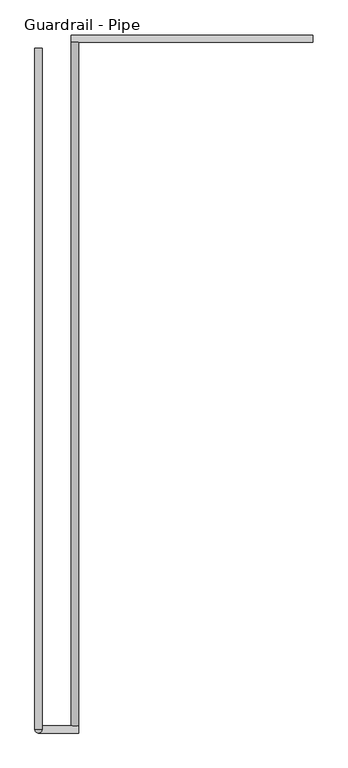
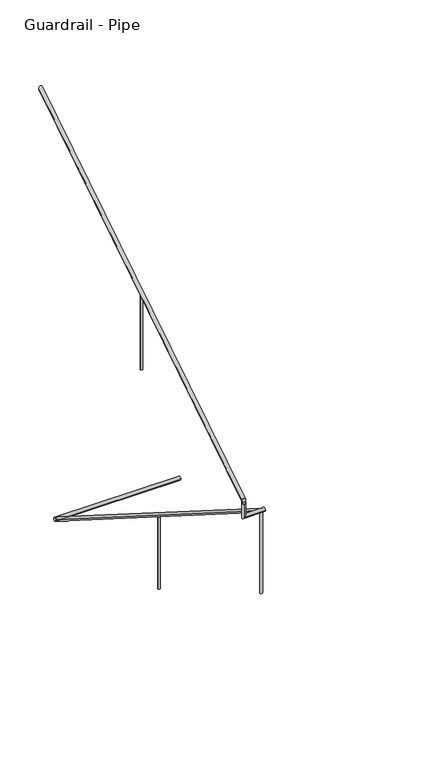
"""IFC4 building model written with IfcOpenShell, lengths in millimetres: railing geometry, Guardrail - Pipe."""

from ifc_helpers import new_model, si_unit, frame, origin, place, context, project, spatial, circle_curve, ellipse_curve, source, transform, mapped, element, save
from ifc_brep_helpers import plane_surface, cylinder_surface, advanced_brep


def guardrail_pipe_5c4d2d1f(model_context):
    return source(origin(), model_context, "Body", "AdvancedBrep", [
        advanced_brep(
        [(583045.6754676, -251251.2580223, 896.2158407), (583007.5754676, -251251.2580223, 896.2158407), (583045.6754676, -254896.1580223, 3203.4252683), (583007.5754676, -254896.1580223, 3203.4252683)],
        [
            (0, 1, ellipse_curve(frame((583026.6254676, -251251.2580223, 896.2158407), z_axis=(0.0, 1.0, 0.0), x_axis=(0.0, 0.0, -1.0)), 22.5457755, 19.05)),
            (1, 0, ellipse_curve(frame((583026.6254676, -251251.2580223, 896.2158407), z_axis=(0.0, 1.0, 0.0), x_axis=(0.0, 0.0, -1.0)), 22.5457755, 19.05)),
            (2, 3, ellipse_curve(frame((583026.6254676, -254896.1580223, 3203.4252683), z_axis=(0.0, -1.0, 0.0), x_axis=(0.0, 0.0, -1.0)), 22.5457755, 19.05)),
            (3, 2, ellipse_curve(frame((583026.6254676, -254896.1580223, 3203.4252683), z_axis=(0.0, -1.0, 0.0), x_axis=(0.0, 0.0, -1.0)), 22.5457755, 19.05)),
            (1, 3),
            (2, 0),
        ],
        [
            plane_surface(frame((583026.6254676, -251251.2580223, 918.7616162), z_axis=(0.0, 1.0, 0.0), x_axis=(0.0, 0.0, -1.0))),
            plane_surface(frame((583026.6254676, -254896.1580223, 3225.9710438), z_axis=(0.0, -1.0, 0.0), x_axis=(0.0, 0.0, -1.0))),
            cylinder_surface(frame((583026.6254676, -251261.4468961, 902.6653635), z_axis=(0.0, 0.8449476488296452, -0.5348490167675869), x_axis=(-1.0, 0.0, 0.0)), 19.05),
        ],
        [
            (0, [[1, 2]]),
            (1, [[3, 4]]),
            (2, [[-2, 5, -3, 6]]),
            (2, [[-1, -6, -4, -5]]),
        ],
    ),
        advanced_brep(
        [(583045.6754676, -254934.2580223, 3218.9796296), (583045.6754676, -254896.1580223, 3218.9796296), (582832.105137, -254896.1580223, 3218.9796296), (582832.105137, -254934.2580223, 3218.9796296), (582832.105137, -254934.2580223, 3357.738752), (582832.105137, -254896.1580223, 3381.8559237)],
        [
            (0, 1, circle_curve(frame((583045.6754676, -254915.2080223, 3218.9796296), z_axis=(1.0, 0.0, 0.0), x_axis=(0.0, 1.0, 0.0)), 19.05)),
            (1, 0, circle_curve(frame((583045.6754676, -254915.2080223, 3218.9796296), z_axis=(1.0, 0.0, 0.0), x_axis=(0.0, 1.0, 0.0)), 19.05)),
            (1, 2),
            (2, 3, ellipse_curve(frame((582832.105137, -254915.2080223, 3218.9796296), z_axis=(0.7071067811865475, 0.0, -0.7071067811865475), x_axis=(0.7071067811865476, 0.0, 0.7071067811865474)), 26.9407684, 19.05)),
            (3, 0),
            (3, 2, ellipse_curve(frame((582832.105137, -254915.2080223, 3218.9796296), z_axis=(0.7071067811865475, 0.0, -0.7071067811865475), x_axis=(0.7071067811865476, 0.0, 0.7071067811865474)), 26.9407684, 19.05)),
            (4, 5, ellipse_curve(frame((582832.105137, -254915.2080223, 3369.7973379), z_axis=(0.0, -0.5348490167675869, 0.8449476488296452), x_axis=(0.0, -0.8449476488296452, -0.5348490167675869)), 22.5457755, 19.05)),
            (5, 4, ellipse_curve(frame((582832.105137, -254915.2080223, 3369.7973379), z_axis=(0.0, -0.5348490167675869, 0.8449476488296452), x_axis=(0.0, -0.8449476488296452, -0.5348490167675869)), 22.5457755, 19.05)),
            (2, 5),
            (4, 3),
        ],
        [
            plane_surface(frame((583045.6754676, -254915.2080223, 3238.0296296), z_axis=(1.0, 0.0, 0.0), x_axis=(0.0, -1.0, 0.0))),
            cylinder_surface(frame((583045.6754676, -254915.2080223, 3218.9796296), z_axis=(1.0, 0.0, 0.0), x_axis=(0.0, 1.0, 0.0)), 19.05),
            plane_surface(frame((582851.155137, -254915.2080223, 3369.7973379), z_axis=(0.0, -0.5348490167675869, 0.8449476488296452), x_axis=(1.0, 0.0, 0.0))),
            cylinder_surface(frame((582832.105137, -254915.2080223, 3238.0296296), z_axis=(0.0, 0.0, -1.0), x_axis=(0.0, 1.0, 0.0)), 19.05),
        ],
        [
            (0, [[1, 2]]),
            (1, [[-2, 3, 4, 5]]),
            (1, [[-1, -5, 6, -3]]),
            (2, [[7, 8]]),
            (3, [[-4, 9, -7, 10]]),
            (3, [[-6, -10, -8, -9]]),
        ],
    ),
        advanced_brep(
        [(582813.055137, -254915.2080223, 3392.3431134), (582851.155137, -254915.2080223, 3392.3431134), (582813.055137, -251283.0080223, 5691.5134838), (582851.155137, -251283.0080223, 5691.5134838)],
        [
            (0, 1, ellipse_curve(frame((582832.105137, -254915.2080223, 3392.3431134), z_axis=(0.0, -1.0, 0.0), x_axis=(0.0, 0.0, -1.0)), 22.5457755, 19.05)),
            (1, 0, ellipse_curve(frame((582832.105137, -254915.2080223, 3392.3431134), z_axis=(0.0, -1.0, 0.0), x_axis=(0.0, 0.0, -1.0)), 22.5457755, 19.05)),
            (2, 3, ellipse_curve(frame((582832.105137, -251283.0080223, 5691.5134838), z_axis=(0.0, 1.0, 0.0), x_axis=(0.0, 0.0, -1.0)), 22.5457755, 19.05)),
            (3, 2, ellipse_curve(frame((582832.105137, -251283.0080223, 5691.5134838), z_axis=(0.0, 1.0, 0.0), x_axis=(0.0, 0.0, -1.0)), 22.5457755, 19.05)),
            (1, 3),
            (2, 0),
        ],
        [
            plane_surface(frame((582832.105137, -254915.2080223, 3414.8888889), z_axis=(0.0, -1.0, 0.0), x_axis=(0.0, 0.0, 1.0))),
            plane_surface(frame((582832.105137, -251283.0080223, 5714.0592593), z_axis=(0.0, 1.0, 0.0), x_axis=(0.0, 0.0, 1.0))),
            cylinder_surface(frame((582832.105137, -254905.0191486, 3398.7926362), z_axis=(0.0, -0.8449476488296452, -0.5348490167675869), x_axis=(1.0, 0.0, 0.0)), 19.05),
        ],
        [
            (0, [[1, 2]]),
            (1, [[3, 4]]),
            (2, [[-2, 5, -3, 6]]),
            (2, [[-1, -6, -4, -5]]),
        ],
    ),
        advanced_brep(
        [(584296.6254676, -251251.2580223, 887.6530303), (584296.6254676, -251213.1580223, 887.6530303), (583007.5754676, -251251.2580223, 887.6530303), (583007.5754676, -251213.1580223, 887.6530303)],
        [
            (0, 1, circle_curve(frame((584296.6254676, -251232.2080223, 887.6530303), z_axis=(1.0, 0.0, 0.0), x_axis=(0.0, 1.0, 0.0)), 19.05)),
            (1, 0, circle_curve(frame((584296.6254676, -251232.2080223, 887.6530303), z_axis=(1.0, 0.0, 0.0), x_axis=(0.0, 1.0, 0.0)), 19.05)),
            (2, 3, circle_curve(frame((583007.5754676, -251232.2080223, 887.6530303), z_axis=(-1.0, 0.0, 0.0), x_axis=(0.0, 1.0, 0.0)), 19.05)),
            (3, 2, circle_curve(frame((583007.5754676, -251232.2080223, 887.6530303), z_axis=(-1.0, 0.0, 0.0), x_axis=(0.0, 1.0, 0.0)), 19.05)),
            (0, 2),
            (3, 1),
        ],
        [
            plane_surface(frame((584296.6254676, -251232.2080223, 906.7030303), z_axis=(1.0, 0.0, 0.0), x_axis=(0.0, -1.0, 0.0))),
            plane_surface(frame((583007.5754676, -251232.2080223, 906.7030303), z_axis=(-1.0, 0.0, 0.0), x_axis=(0.0, -1.0, 0.0))),
            cylinder_surface(frame((584296.6254676, -251232.2080223, 887.6530303), z_axis=(1.0, 0.0, 0.0), x_axis=(0.0, 1.0, 0.0)), 19.05),
        ],
        [
            (0, [[1, 2]]),
            (1, [[3, 4]]),
            (2, [[-1, 5, -4, 6]]),
            (2, [[-2, -6, -3, -5]]),
        ],
    ),
        advanced_brep(
        [(582844.805137, -253086.4080223, 4527.4215803), (582844.805137, -253086.4080223, 3714.0444444), (582819.405137, -253086.4080223, 3714.0444444), (582819.405137, -253086.4080223, 4527.4215803)],
        [
            (0, 1),
            (1, 2, circle_curve(frame((582832.105137, -253086.4080223, 3714.0444444), z_axis=(0.0, 0.0, 1.0), x_axis=(-1.0, 0.0, 0.0)), 12.7)),
            (2, 3),
            (3, 0, ellipse_curve(frame((582832.105137, -253086.4080223, 4527.4215803), z_axis=(0.0, 0.5348490167675828, -0.844947648829648), x_axis=(0.0, 0.8449476488296481, 0.5348490167675825)), 15.030517, 12.7)),
            (0, 3, ellipse_curve(frame((582832.105137, -253086.4080223, 4527.4215803), z_axis=(0.0, 0.5348490167675828, -0.844947648829648), x_axis=(0.0, 0.8449476488296481, 0.5348490167675825)), 15.030517, 12.7)),
            (2, 1, circle_curve(frame((582832.105137, -253086.4080223, 3714.0444444), z_axis=(0.0, 0.0, 1.0), x_axis=(-1.0, 0.0, 0.0)), 12.7)),
        ],
        [
            cylinder_surface(frame((582832.105137, -253086.4080223, 3485.4444444), z_axis=(0.0, 0.0, 1.0), x_axis=(-1.0, 0.0, 0.0)), 12.7),
            plane_surface(frame((582806.705137, -253061.0080223, 4543.4996948), z_axis=(0.0, -0.5348490167675828, 0.844947648829648), x_axis=(1.0, 0.0, 0.0))),
            plane_surface(frame((582806.705137, -253111.8080223, 3714.0444444), z_axis=(0.0, 0.0, -1.0), x_axis=(1.0, 0.0, 0.0))),
        ],
        [
            (0, [[1, 2, 3, 4]]),
            (0, [[-1, 5, -3, 6]]),
            (1, [[-4, -5]]),
            (2, [[-2, -6]]),
        ],
    ),
        advanced_brep(
        [(583013.9254676, -254889.8080223, 3176.8599642), (583013.9254676, -254889.8080223, 2299.1703704), (583039.3254676, -254889.8080223, 2299.1703704), (583039.3254676, -254889.8080223, 3176.8599642)],
        [
            (0, 1),
            (1, 2, circle_curve(frame((583026.6254676, -254889.8080223, 2299.1703704), z_axis=(0.0, 0.0, 1.0), x_axis=(1.0, 0.0, 0.0)), 12.7)),
            (2, 3),
            (3, 0, ellipse_curve(frame((583026.6254676, -254889.8080223, 3176.8599642), z_axis=(0.0, -0.5348490167675843, -0.8449476488296469), x_axis=(0.0, -0.8449476488296469, 0.5348490167675843)), 15.030517, 12.7)),
            (0, 3, ellipse_curve(frame((583026.6254676, -254889.8080223, 3176.8599642), z_axis=(0.0, -0.5348490167675843, -0.8449476488296469), x_axis=(0.0, -0.8449476488296469, 0.5348490167675843)), 15.030517, 12.7)),
            (2, 1, circle_curve(frame((583026.6254676, -254889.8080223, 2299.1703704), z_axis=(0.0, 0.0, 1.0), x_axis=(1.0, 0.0, 0.0)), 12.7)),
        ],
        [
            cylinder_surface(frame((583026.6254676, -254889.8080223, 2070.5703704), z_axis=(0.0, 0.0, 1.0), x_axis=(1.0, 0.0, 0.0)), 12.7),
            plane_surface(frame((583052.0254676, -254915.2080223, 3192.9380786), z_axis=(0.0, 0.5348490167675843, 0.8449476488296469), x_axis=(-1.0, 0.0, 0.0))),
            plane_surface(frame((583052.0254676, -254864.4080223, 2299.1703704), z_axis=(0.0, 0.0, -1.0), x_axis=(-1.0, 0.0, 0.0))),
        ],
        [
            (0, [[1, 2, 3, 4]]),
            (0, [[-1, 5, -3, 6]]),
            (1, [[-4, -5]]),
            (2, [[-2, -6]]),
        ],
    ),
        advanced_brep(
        [(583013.9254676, -253061.0080223, 2019.2357217), (583013.9254676, -253061.0080223, 1238.0148148), (583039.3254676, -253061.0080223, 1238.0148148), (583039.3254676, -253061.0080223, 2019.2357217)],
        [
            (0, 1),
            (1, 2, circle_curve(frame((583026.6254676, -253061.0080223, 1238.0148148), z_axis=(0.0, 0.0, 1.0), x_axis=(1.0, 0.0, 0.0)), 12.7)),
            (2, 3),
            (3, 0, ellipse_curve(frame((583026.6254676, -253061.0080223, 2019.2357217), z_axis=(0.0, -0.5348490167675843, -0.8449476488296469), x_axis=(0.0, -0.8449476488296469, 0.5348490167675843)), 15.030517, 12.7)),
            (0, 3, ellipse_curve(frame((583026.6254676, -253061.0080223, 2019.2357217), z_axis=(0.0, -0.5348490167675843, -0.8449476488296469), x_axis=(0.0, -0.8449476488296469, 0.5348490167675843)), 15.030517, 12.7)),
            (2, 1, circle_curve(frame((583026.6254676, -253061.0080223, 1238.0148148), z_axis=(0.0, 0.0, 1.0), x_axis=(1.0, 0.0, 0.0)), 12.7)),
        ],
        [
            cylinder_surface(frame((583026.6254676, -253061.0080223, 1009.4148148), z_axis=(0.0, 0.0, 1.0), x_axis=(1.0, 0.0, 0.0)), 12.7),
            plane_surface(frame((583052.0254676, -253086.4080223, 2035.3138362), z_axis=(0.0, 0.5348490167675843, 0.8449476488296469), x_axis=(-1.0, 0.0, 0.0))),
            plane_surface(frame((583052.0254676, -253035.6080223, 1238.0148148), z_axis=(0.0, 0.0, -1.0), x_axis=(-1.0, 0.0, 0.0))),
        ],
        [
            (0, [[1, 2, 3, 4]]),
            (0, [[-1, 5, -3, 6]]),
            (1, [[-4, -5]]),
            (2, [[-2, -6]]),
        ],
    ),
    ])


if __name__ == "__main__":
    model = new_model("IFC4")
    model_context = context("Model", 3, world=origin())
    ifc_project = project(units=[si_unit("LENGTHUNIT", "METRE", prefix="MILLI")], contexts=[model_context])
    site = spatial("IfcSite", under=ifc_project)
    building = spatial("IfcBuilding", under=site)
    placement = place(None, origin())
    guardrail_pipe_shape = guardrail_pipe_5c4d2d1f(model_context)
    element("IfcRailing", 1, ObjectType="Guardrail - Pipe", at=placement, inside=building, context=model_context, shape_type="MappedRepresentation", body=[
        mapped(guardrail_pipe_shape, transform((0.0, 0.0, 0.0), x_axis=(1.0, 0.0, 0.0), y_axis=(0.0, 1.0, 0.0), z_axis=(0.0, 0.0, 1.0))),
    ])
    save(model, "model.ifc")
